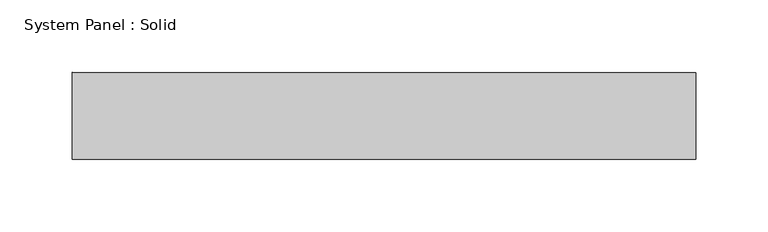
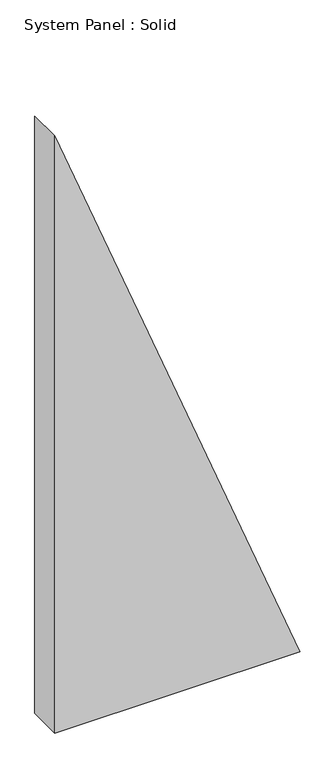
"""IFC4 building model written with IfcOpenShell, lengths in millimetres: plate geometry, System Panel : Solid."""

import ifcopenshell
import ifcopenshell.guid

model = None  # the IFC model being written
_history = None  # IfcOwnerHistory: only IFC2X3 demands one
_inside = {}  # id of a spatial element -> (the spatial element, [elements in it])
_under = {}  # id of a project, library or spatial element -> (it, [spatial elements below it])
_declared = {}  # id of a project -> (the project, [libraries it declares])
_typed = {}  # id of a type object -> (the type object, [elements of that type])
_made_of = {}  # id of a material, layer set ... -> (it, [elements and type objects made of it])


def new_model(schema):
    """Start an empty IFC model of exactly this schema.

    Asked for "IFC4X3", IfcOpenShell would pick the latest addendum, in which some entities
    have other attributes; the version numbers below select the first issue.
    IFC2X3 requires an IfcOwnerHistory on every rooted entity: one is made here for all.
    """
    global model, _history
    if schema == "IFC4X3":
        model = ifcopenshell.file(schema_version=(4, 3, 0, 0))
    else:
        model = ifcopenshell.file(schema=schema)
    _inside.clear()
    _under.clear()
    _declared.clear()
    _typed.clear()
    _made_of.clear()
    _history = None
    if model.schema == "IFC2X3":
        org = make("IfcOrganization", Name="unknown")
        user = make(
            "IfcPersonAndOrganization",
            ThePerson=make("IfcPerson", FamilyName="unknown"),
            TheOrganization=org,
        )
        app = make(
            "IfcApplication",
            ApplicationDeveloper=org,
            Version="unknown",
            ApplicationFullName="unknown",
            ApplicationIdentifier="unknown",
        )
        _history = make(
            "IfcOwnerHistory",
            OwningUser=user,
            OwningApplication=app,
            ChangeAction="ADDED",
            CreationDate=0,
        )
    return model


def make(cls, **values):
    """One entity of the class cls with the attributes given. An attribute that is None is left unset."""
    return model.create_entity(
        cls, **{name: value for name, value in values.items() if value is not None}
    )


def rooted(cls, **values):
    """An entity with a GlobalId (a new one), such as an element, a storey or a relation."""
    return make(cls, GlobalId=ifcopenshell.guid.new(), OwnerHistory=_history, **values)


def si_unit(unit_type, name, prefix=None):
    """IfcSIUnit, for example si_unit("LENGTHUNIT", "METRE", prefix="MILLI")."""
    return make("IfcSIUnit", UnitType=unit_type, Prefix=prefix, Name=name)


def assignment(units):
    """IfcUnitAssignment: the units of a project."""
    return None if units is None else make("IfcUnitAssignment", Units=units)


def point(xyz):
    """IfcCartesianPoint."""
    return None if xyz is None else make("IfcCartesianPoint", Coordinates=xyz)


def direction(xyz):
    """IfcDirection."""
    return None if xyz is None else make("IfcDirection", DirectionRatios=xyz)


def frame(location, z_axis=None, x_axis=None):
    """IfcAxis2Placement3D, a coordinate frame: its origin and axes. An axis left out is left unset."""
    return make(
        "IfcAxis2Placement3D",
        Location=point(location),
        Axis=direction(z_axis),
        RefDirection=direction(x_axis),
    )


def origin():
    """The frame at (0, 0, 0) with its axes left unset."""
    return frame((0.0, 0.0, 0.0))


def place(relative_to, where):
    """IfcLocalPlacement: puts the frame where relative to a parent placement (None: the world)."""
    return make(
        "IfcLocalPlacement", PlacementRelTo=relative_to, RelativePlacement=where
    )


def context(
    kind, dimensions, precision=None, world=None, true_north=None, identifier=None
):
    """IfcGeometricRepresentationContext, for example the 3D "Model" context."""
    return make(
        "IfcGeometricRepresentationContext",
        ContextIdentifier=identifier,
        ContextType=kind,
        CoordinateSpaceDimension=dimensions,
        Precision=precision,
        WorldCoordinateSystem=world,
        TrueNorth=true_north,
    )


def project(units=None, contexts=None):
    """IfcProject with its units and contexts."""
    return rooted(
        "IfcProject",
        Name="project",
        RepresentationContexts=contexts,
        UnitsInContext=assignment(units),
    )


def spatial(cls, under=None, at=None, **own):
    """A site, building, storey or space (cls), placed at a placement, below another one or the project."""
    s = rooted(cls, ObjectPlacement=at, **own)
    if under is not None:
        _under.setdefault(under.id(), (under, []))[1].append(s)
    return s


def polyline(points):
    """IfcPolyline through the points."""
    return make("IfcPolyline", Points=[point(p) for p in points])


def outline(outer, holes=None, kind="AREA"):
    """IfcArbitraryClosedProfileDef: a profile drawn as a closed curve; with holes, ...WithVoids."""
    if holes is None:
        return make("IfcArbitraryClosedProfileDef", ProfileType=kind, OuterCurve=outer)
    return make(
        "IfcArbitraryProfileDefWithVoids",
        ProfileType=kind,
        OuterCurve=outer,
        InnerCurves=holes,
    )


def extrude(swept, where, along, depth):
    """IfcExtrudedAreaSolid: the profile swept, set in the frame where, extruded along a direction by depth."""
    return make(
        "IfcExtrudedAreaSolid",
        SweptArea=swept,
        Position=where,
        ExtrudedDirection=direction(along),
        Depth=depth,
    )


def shape(context_of_items, identifier, shape_type, items):
    """IfcShapeRepresentation: the items that make up one representation, for example the "Body"."""
    return make(
        "IfcShapeRepresentation",
        ContextOfItems=context_of_items,
        RepresentationIdentifier=identifier,
        RepresentationType=shape_type,
        Items=items,
    )


def source(mapping_origin, context_of_items, identifier, shape_type, items):
    """IfcRepresentationMap: a shape defined once, which mapped items show again and again."""
    return make(
        "IfcRepresentationMap",
        MappingOrigin=mapping_origin,
        MappedRepresentation=shape(context_of_items, identifier, shape_type, items),
    )


def transform(
    local_origin,
    x_axis=None,
    y_axis=None,
    z_axis=None,
    scale=None,
    scale2=None,
    scale3=None,
    uniform=True,
):
    """IfcCartesianTransformationOperator3D, or its non-uniform kind. x_axis, y_axis, z_axis: its Axis1, 2, 3."""
    if uniform:
        return make(
            "IfcCartesianTransformationOperator3D",
            Axis1=direction(x_axis),
            Axis2=direction(y_axis),
            LocalOrigin=point(local_origin),
            Scale=scale,
            Axis3=direction(z_axis),
        )
    return make(
        "IfcCartesianTransformationOperator3DnonUniform",
        Axis1=direction(x_axis),
        Axis2=direction(y_axis),
        LocalOrigin=point(local_origin),
        Scale=scale,
        Axis3=direction(z_axis),
        Scale2=scale2,
        Scale3=scale3,
    )


def mapped(mapping_source, mapping_target):
    """IfcMappedItem: shows the shape of a source again, moved by a transform."""
    return make(
        "IfcMappedItem", MappingSource=mapping_source, MappingTarget=mapping_target
    )


def made_of(thing, what):
    """Note that an element or type object is made of a material, layer set ...; save() writes the relation."""
    if what is not None:
        _made_of.setdefault(what.id(), (what, []))[1].append(thing)
    return thing


def element(
    cls,
    number,
    at=None,
    inside=None,
    cuts=None,
    type_object=None,
    material=None,
    context=None,
    identifier="Body",
    shape_type=None,
    held_by="IfcProductDefinitionShape",
    body=None,
    shapes=None,
    **own,
):
    """One element of the class cls, such as IfcWall. Its Tag is "e" and its number.

    at: its placement. inside: the storey or other place that contains it. cuts: it is an
    opening in that element (IfcRelVoidsElement). A single representation is given by context,
    identifier, shape_type and body (its items); several are given by shapes. held_by: the class
    of the entity that holds the representations. save() writes the other relations.
    """
    e = rooted(cls, Tag="e%d" % number, ObjectPlacement=at, **own)
    if body is not None:
        shapes = [shape(context, identifier, shape_type, body)]
    if shapes is not None:
        e.Representation = make(held_by, Representations=shapes)
    if inside is not None:
        _inside.setdefault(inside.id(), (inside, []))[1].append(e)
    if cuts is not None:
        rooted(
            "IfcRelVoidsElement", RelatingBuildingElement=cuts, RelatedOpeningElement=e
        )
    if type_object is not None:
        _typed.setdefault(type_object.id(), (type_object, []))[1].append(e)
    return made_of(e, material)


def aggregate(whole, parts):
    """IfcRelAggregates: a whole, such as a stair, and the parts it consists of."""
    return rooted("IfcRelAggregates", RelatingObject=whole, RelatedObjects=parts)


def save(model, path):
    """Write the relations noted so far, then the file.

    IfcRelAggregates (storeys below a building ...), IfcRelContainedInSpatialStructure (elements
    in a storey), IfcRelDefinesByType, IfcRelAssociatesMaterial and IfcRelDeclares: one each for
    every whole, place, type object, material and project.
    """
    for whole, parts in _under.values():
        aggregate(whole, parts)
    for where, things in _inside.values():
        rooted(
            "IfcRelContainedInSpatialStructure",
            RelatedElements=things,
            RelatingStructure=where,
        )
    for kind, things in _typed.values():
        rooted("IfcRelDefinesByType", RelatedObjects=things, RelatingType=kind)
    for what, things in _made_of.values():
        rooted("IfcRelAssociatesMaterial", RelatedObjects=things, RelatingMaterial=what)
    for by, libraries in _declared.values():
        rooted("IfcRelDeclares", RelatingContext=by, RelatedDefinitions=libraries)
    model.write(path)


def system_panel_solid_f2745dba(model_context):
    return source(origin(), model_context, "Body", "SweptSolid", [
        extrude(outline(polyline([(0.0, -215.5660711), (0.0, 215.5660711), (1108.2343463, -215.5660711), (0.0, -215.5660711)])), frame((0.0, -10.5, 0.0), z_axis=(0.0, 1.0, 0.0), x_axis=(0.0, 0.0, 1.0)), (0.0, 0.0, 1.0), 60.0),
    ])


if __name__ == "__main__":
    model = new_model("IFC4")
    model_context = context("Model", 3, world=origin())
    ifc_project = project(units=[si_unit("LENGTHUNIT", "METRE", prefix="MILLI")], contexts=[model_context])
    site = spatial("IfcSite", under=ifc_project)
    building = spatial("IfcBuilding", under=site)
    placement = place(None, origin())
    system_panel_solid_shape = system_panel_solid_f2745dba(model_context)
    element("IfcPlate", 1, ObjectType="System Panel : Solid", at=placement, inside=building, context=model_context, shape_type="MappedRepresentation", body=[
        mapped(system_panel_solid_shape, transform((0.0, 0.0, 0.0), x_axis=(1.0, 0.0, 0.0), y_axis=(0.0, 1.0, 0.0), z_axis=(0.0, 0.0, 1.0))),
    ])
    save(model, "model.ifc")
